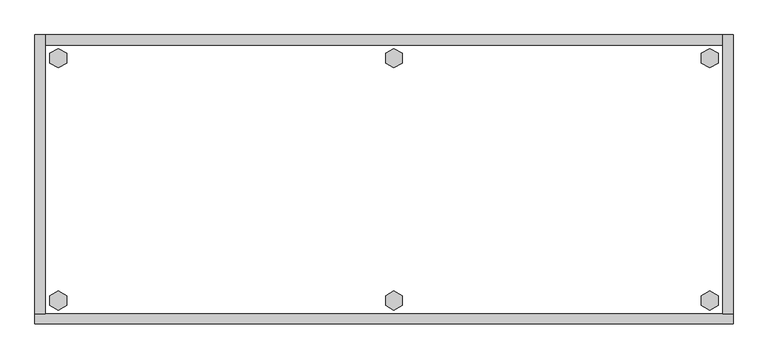
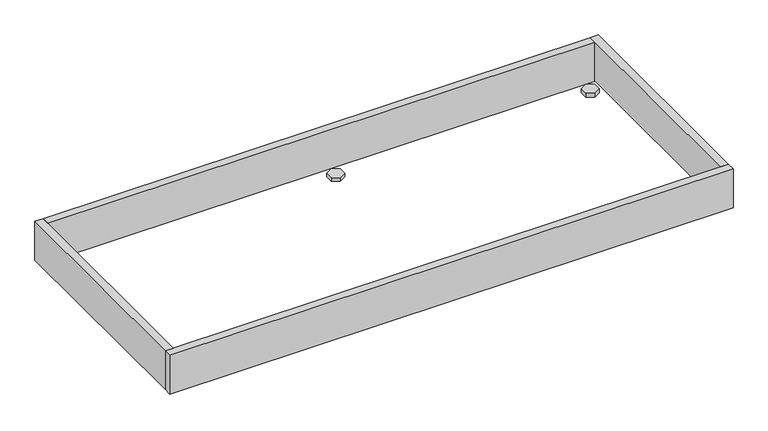
"""IFC4 building model written with IfcOpenShell, lengths in millimetres: furniture geometry."""

from ifc_helpers import new_model, si_unit, frame, origin, origin_with_axes, place, context, project, spatial, polyline, outline, extrude, source, transform, mapped, element, save


def furniture_3dca6c90(model_context):
    return source(origin(), model_context, "Body", "SweptSolid", [
        extrude(outline(polyline([(1272.8735422, -498.8179), (1288.8214, -489.6104), (1304.7692578, -498.8179), (1304.7692578, -517.2329), (1288.8214, -526.4404), (1272.8735422, -517.2329), (1272.8735422, -498.8179)])), origin_with_axes(), (0.0, 0.0, 1.0), 9.144),
        extrude(outline(polyline([(1272.8735422, -35.4711), (1288.8214, -26.2636), (1304.7692578, -35.4711), (1304.7692578, -53.8861), (1288.8214, -63.0936), (1272.8735422, -53.8861), (1272.8735422, -35.4711)])), origin_with_axes(), (0.0, 0.0, 1.0), 9.144),
        extrude(outline(polyline([(669.8521422, -498.8179), (685.8, -489.6104), (701.7478578, -498.8179), (701.7478578, -517.2329), (685.8, -526.4404), (669.8521422, -517.2329), (669.8521422, -498.8179)])), origin_with_axes(), (0.0, 0.0, 1.0), 9.144),
        extrude(outline(polyline([(669.8521422, -35.4711), (685.8, -26.2636), (701.7478578, -35.4711), (701.7478578, -53.8861), (685.8, -63.0936), (669.8521422, -53.8861), (669.8521422, -35.4711)])), origin_with_axes(), (0.0, 0.0, 1.0), 9.144),
        extrude(outline(polyline([(28.7307422, -498.8179), (44.6786, -489.6104), (60.6264578, -498.8179), (60.6264578, -517.2329), (44.6786, -526.4404), (28.7307422, -517.2329), (28.7307422, -498.8179)])), origin_with_axes(), (0.0, 0.0, 1.0), 9.144),
        extrude(outline(polyline([(28.7307422, -35.4711), (44.6786, -26.2636), (60.6264578, -35.4711), (60.6264578, -53.8861), (44.6786, -63.0936), (28.7307422, -53.8861), (28.7307422, -35.4711)])), origin_with_axes(), (0.0, 0.0, 1.0), 9.144),
        extrude(outline(polyline([(19.304, 0.0), (19.304, -533.4), (0.0, -533.4), (0.0, 0.0), (19.304, 0.0)])), frame((0.0, 0.0, 4.699), z_axis=(0.0, 0.0, 1.0), x_axis=(1.0, 0.0, 0.0)), (0.0, 0.0, 1.0), 96.901),
        extrude(outline(polyline([(1333.5, 0.0), (1333.5, -533.4), (1314.196, -533.4), (1314.196, 0.0), (1333.5, 0.0)])), frame((0.0, 0.0, 4.699), z_axis=(0.0, 0.0, 1.0), x_axis=(1.0, 0.0, 0.0)), (0.0, 0.0, 1.0), 96.901),
        extrude(outline(polyline([(1314.196, -19.304), (19.304, -19.304), (19.304, 0.0), (1314.196, 0.0), (1314.196, -19.304)])), frame((0.0, 0.0, 4.699), z_axis=(0.0, 0.0, 1.0), x_axis=(1.0, 0.0, 0.0)), (0.0, 0.0, 1.0), 96.901),
        extrude(outline(polyline([(1333.5, -533.4), (1333.5, -552.704), (0.0, -552.704), (0.0, -533.4), (1333.5, -533.4)])), frame((0.0, 0.0, 4.699), z_axis=(0.0, 0.0, 1.0), x_axis=(1.0, 0.0, 0.0)), (0.0, 0.0, 1.0), 96.901),
    ])


if __name__ == "__main__":
    model = new_model("IFC4")
    model_context = context("Model", 3, world=origin())
    ifc_project = project(units=[si_unit("LENGTHUNIT", "METRE", prefix="MILLI")], contexts=[model_context])
    site = spatial("IfcSite", under=ifc_project)
    building = spatial("IfcBuilding", under=site)
    placement = place(None, origin())
    furniture_shape = furniture_3dca6c90(model_context)
    element("IfcFurniture", 1, at=placement, inside=building, context=model_context, shape_type="MappedRepresentation", body=[
        mapped(furniture_shape, transform((0.0, 0.0, 0.0), x_axis=(1.0, 0.0, 0.0), y_axis=(0.0, 1.0, 0.0), z_axis=(0.0, 0.0, 1.0))),
    ])
    save(model, "model.ifc")
